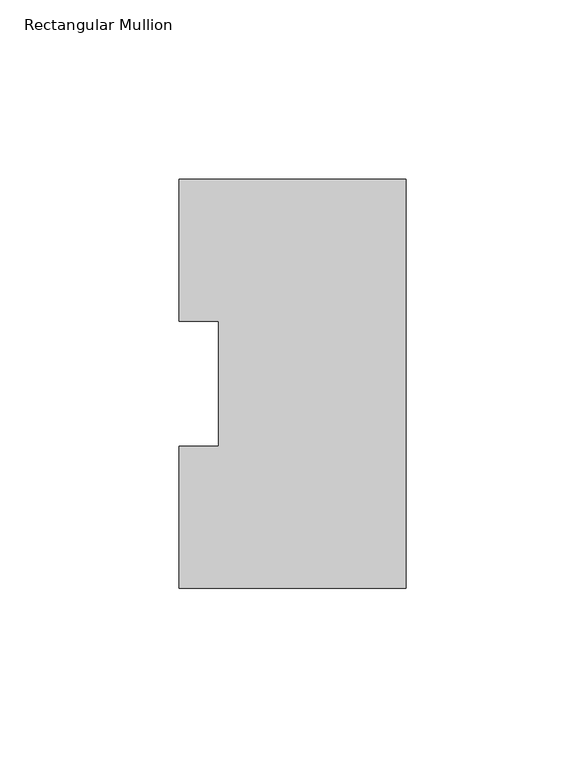
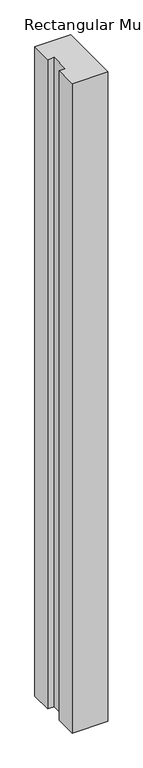
"""IFC4 building model written with IfcOpenShell, lengths in millimetres: member geometry, Rectangular Mullion."""

from ifc_helpers import new_model, si_unit, frame, origin, place, context, project, spatial, polyline, outline, extrude, source, transform, mapped, element, save


def rectangular_mullion_9fa98eb4(model_context):
    return source(origin(), model_context, "Body", "SweptSolid", [
        extrude(outline(polyline([(0.0, 114.271425), (0.0, -0.028575), (-63.5, -0.028575), (-63.5, 39.646225), (-52.3875, 39.646225), (-52.3875, 74.596625), (-63.5, 74.596625), (-63.5, 114.271425), (0.0, 114.271425)])), frame((0.0, 0.0, -1219.2), z_axis=(0.0, 0.0, 1.0), x_axis=(1.0, 0.0, 0.0)), (0.0, 0.0, 1.0), 1219.2),
    ])


if __name__ == "__main__":
    model = new_model("IFC4")
    model_context = context("Model", 3, world=origin())
    ifc_project = project(units=[si_unit("LENGTHUNIT", "METRE", prefix="MILLI")], contexts=[model_context])
    site = spatial("IfcSite", under=ifc_project)
    building = spatial("IfcBuilding", under=site)
    placement = place(None, origin())
    rectangular_mullion_shape = rectangular_mullion_9fa98eb4(model_context)
    element("IfcMember", 1, ObjectType="Rectangular Mullion", at=placement, inside=building, context=model_context, shape_type="MappedRepresentation", body=[
        mapped(rectangular_mullion_shape, transform((0.0, 0.0, 0.0), x_axis=(1.0, 0.0, 0.0), y_axis=(0.0, 1.0, 0.0), z_axis=(0.0, 0.0, 1.0))),
    ])
    save(model, "model.ifc")
